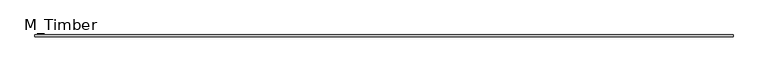
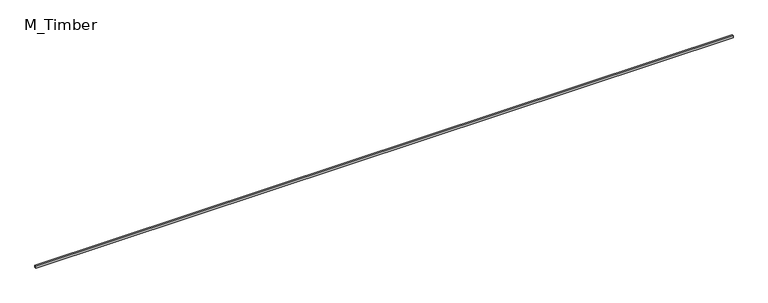
"""IFC4 building model written with IfcOpenShell, lengths in millimetres: beam geometry, M_Timber."""

from ifc_helpers import new_model, si_unit, frame, origin, place, context, project, spatial, polyline, outline, extrude, source, transform, mapped, element, save


def m_timber_c73250f3(model_context):
    return source(origin(), model_context, "Body", "SweptSolid", [
        extrude(outline(polyline([(7508.136596, 20.0), (7508.136596, -20.0), (-7508.136596, -20.0), (-7508.136596, 20.0), (7508.136596, 20.0)])), frame((0.0, 0.0, -20.0), z_axis=(0.0, 0.0, 1.0), x_axis=(1.0, 0.0, 0.0)), (0.0, 0.0, 1.0), 40.0),
    ])


if __name__ == "__main__":
    model = new_model("IFC4")
    model_context = context("Model", 3, world=origin())
    ifc_project = project(units=[si_unit("LENGTHUNIT", "METRE", prefix="MILLI")], contexts=[model_context])
    site = spatial("IfcSite", under=ifc_project)
    building = spatial("IfcBuilding", under=site)
    placement = place(None, origin())
    m_timber_shape = m_timber_c73250f3(model_context)
    element("IfcBeam", 1, ObjectType="M_Timber", at=placement, inside=building, context=model_context, shape_type="MappedRepresentation", body=[
        mapped(m_timber_shape, transform((0.0, 0.0, 0.0), x_axis=(1.0, 0.0, 0.0), y_axis=(0.0, 1.0, 0.0), z_axis=(0.0, 0.0, 1.0))),
    ])
    save(model, "model.ifc")
